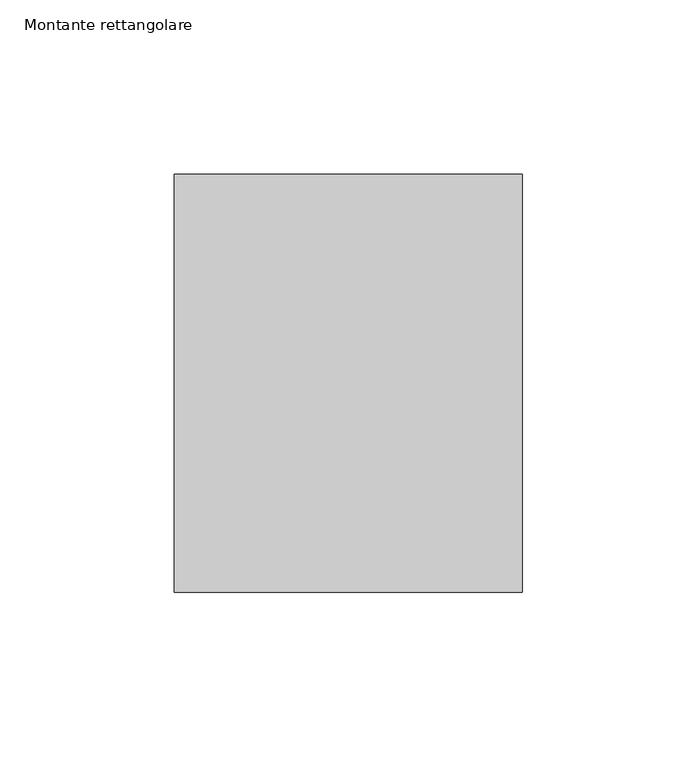
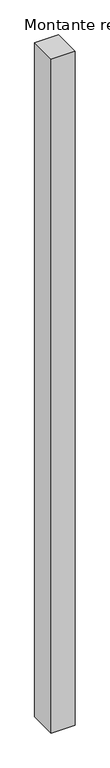
"""IFC4 building model written with IfcOpenShell, lengths in millimetres: member geometry, Montante rettangolare."""

from ifc_helpers import new_model, si_unit, frame, origin, place, context, project, spatial, polyline, outline, extrude, source, transform, mapped, element, save


def montante_rettangolare_fb61e10b(model_context):
    return source(origin(), model_context, "Body", "SweptSolid", [
        extrude(outline(polyline([(50.0, 60.0), (50.0, -60.0), (-50.0, -60.0), (-50.0, 60.0), (50.0, 60.0)])), frame((0.0, 0.0, -2980.0), z_axis=(0.0, 0.0, 1.0), x_axis=(1.0, 0.0, 0.0)), (0.0, 0.0, 1.0), 2980.0),
    ])


if __name__ == "__main__":
    model = new_model("IFC4")
    model_context = context("Model", 3, world=origin())
    ifc_project = project(units=[si_unit("LENGTHUNIT", "METRE", prefix="MILLI")], contexts=[model_context])
    site = spatial("IfcSite", under=ifc_project)
    building = spatial("IfcBuilding", under=site)
    placement = place(None, origin())
    montante_rettangolare_shape = montante_rettangolare_fb61e10b(model_context)
    element("IfcMember", 1, ObjectType="Montante rettangolare", at=placement, inside=building, context=model_context, shape_type="MappedRepresentation", body=[
        mapped(montante_rettangolare_shape, transform((0.0, 0.0, 0.0), x_axis=(1.0, 0.0, 0.0), y_axis=(0.0, 1.0, 0.0), z_axis=(0.0, 0.0, 1.0))),
    ])
    save(model, "model.ifc")
